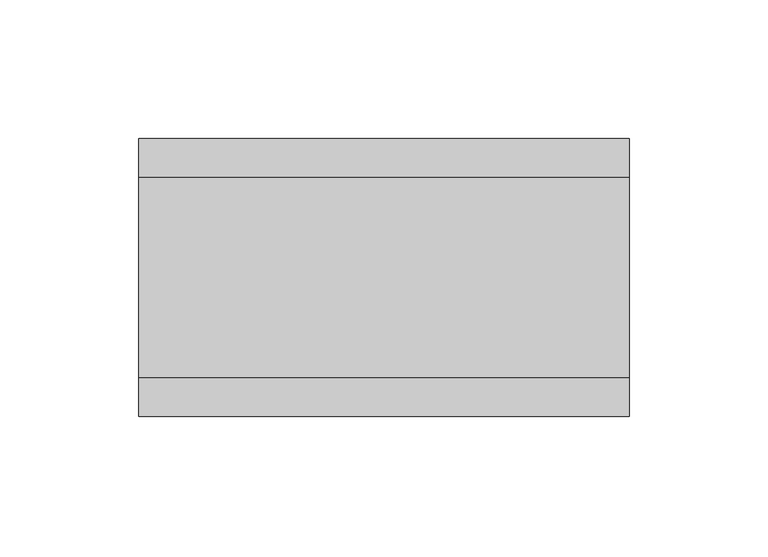
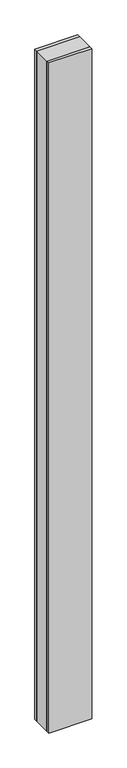
"""IFC4 building model written with IfcOpenShell, lengths in millimetres: plate geometry."""

from ifc_helpers import new_model, si_unit, origin, origin_with_axes, place, context, project, spatial, polyline, outline, extrude, source, transform, mapped, element, save


def plate_ee08d529(model_context):
    return source(origin(), model_context, "Body", "SweptSolid", [
        extrude(outline(polyline([(88.2035739, 36.0), (88.2035739, -36.0), (-88.2035739, -36.0), (-88.2035739, 36.0), (88.2035739, 36.0)])), origin_with_axes(), (0.0, 0.0, 1.0), 2925.7),
        extrude(outline(polyline([(88.2035739, 50.0), (88.2035739, 36.0), (-88.2035739, 36.0), (-88.2035739, 50.0), (88.2035739, 50.0)])), origin_with_axes(), (0.0, 0.0, 1.0), 2925.7),
        extrude(outline(polyline([(88.2035739, -36.0), (88.2035739, -50.0), (-88.2035739, -50.0), (-88.2035739, -36.0), (88.2035739, -36.0)])), origin_with_axes(), (0.0, 0.0, 1.0), 2925.7),
    ])


if __name__ == "__main__":
    model = new_model("IFC4")
    model_context = context("Model", 3, world=origin())
    ifc_project = project(units=[si_unit("LENGTHUNIT", "METRE", prefix="MILLI")], contexts=[model_context])
    site = spatial("IfcSite", under=ifc_project)
    building = spatial("IfcBuilding", under=site)
    placement = place(None, origin())
    plate_shape = plate_ee08d529(model_context)
    element("IfcPlate", 1, at=placement, inside=building, context=model_context, shape_type="MappedRepresentation", body=[
        mapped(plate_shape, transform((0.0, 0.0, 0.0), x_axis=(1.0, 0.0, 0.0), y_axis=(0.0, 1.0, 0.0), z_axis=(0.0, 0.0, 1.0))),
    ])
    save(model, "model.ifc")
